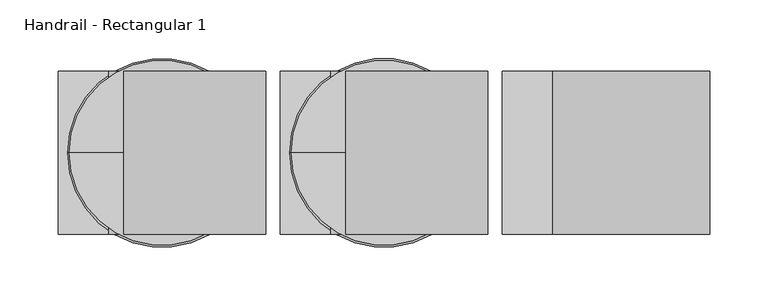
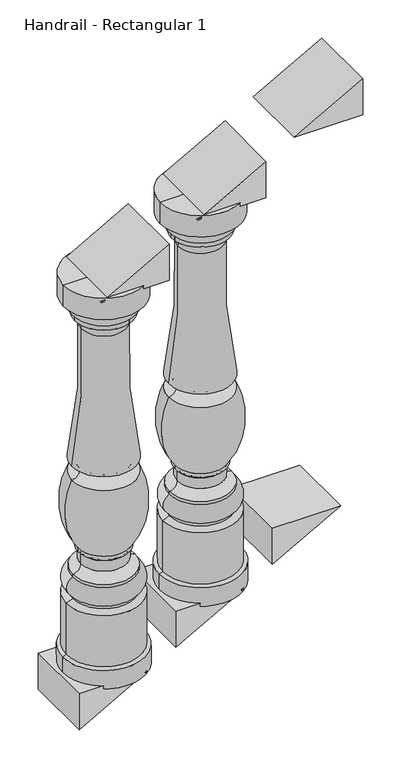
"""IFC4 building model written with IfcOpenShell, lengths in millimetres: railing geometry, Handrail - Rectangular 1."""

from ifc_helpers import new_model, si_unit, point, frame, origin, place, context, project, spatial, polyline, circle_curve, ellipse_curve, trimmed, outline, extrude, source, transform, mapped, element, save
from ifc_brep_helpers import plane_surface, cylinder_surface, revolved_surface, advanced_brep


def handrail_rectangular_1_12c2e21d(model_context):
    return source(origin(), model_context, "Body", "SolidModel", [
        extrude(outline(polyline([(666.75, 4334.3727138), (666.75, 4199.7527138), (591.9611111, 4199.7527138), (666.75, 4334.3727138)])), frame((0.0, 3951.2419589, 0.0), z_axis=(0.0, 1.0, 0.0), x_axis=(0.0, 0.0, 1.0)), (0.0, 0.0, 1.0), 139.7),
        extrude(outline(polyline([(1466.2949839, 4242.9327138), (1466.2949839, 4377.5527138), (1541.0838728, 4377.5527138), (1466.2949839, 4242.9327138)])), frame((0.0, 3951.2419589, 0.0), z_axis=(0.0, 1.0, 0.0), x_axis=(0.0, 0.0, 1.0)), (0.0, 0.0, 1.0), 139.7),
        advanced_brep(
        [(4098.1527138, 4021.0919589, 1367.0891586), (4018.7777138, 4021.0919589, 1367.0891586), (4177.5277138, 4021.0919589, 1367.0891586), (4179.1152138, 4021.0919589, 554.2891586), (4017.1902138, 4021.0919589, 554.2891586), (4098.1527138, 4021.0919589, 554.2891586), (4179.1152138, 4021.0919589, 592.5677128), (4017.1902138, 4021.0919589, 592.5677128), (4171.9714638, 4021.0919589, 595.5641586), (4024.3339638, 4021.0919589, 595.5641586), (4171.9714638, 4021.0919589, 702.022687), (4024.3339638, 4021.0919589, 702.022687), (4159.2714638, 4021.0919589, 707.4829086), (4037.0339638, 4021.0919589, 707.4829086), (4159.2714638, 4021.0919589, 713.8329086), (4037.0339638, 4021.0919589, 713.8329086), (4159.2714638, 4021.0919589, 751.9329086), (4037.0339638, 4021.0919589, 751.9329086), (4159.2714638, 4021.0919589, 758.2829086), (4037.0339638, 4021.0919589, 758.2829086), (4143.5645677, 4021.0919589, 774.5653176), (4052.7408598, 4021.0919589, 774.5653176), (4143.5645677, 4021.0919589, 796.1797845), (4052.7408598, 4021.0919589, 796.1797845), (4148.1589638, 4021.0919589, 801.1454086), (4048.1464638, 4021.0919589, 801.1454086), (4148.1589638, 4021.0919589, 808.7734345), (4048.1464638, 4021.0919589, 808.7734345), (4160.8589638, 4021.0919589, 955.1329086), (4035.4464638, 4021.0919589, 955.1329086), (4160.8589638, 4021.0919589, 983.7079086), (4035.4464638, 4021.0919589, 983.7079086), (4142.3248619, 4021.0919589, 1263.4605192), (4053.9805656, 4021.0919589, 1263.4605192), (4155.3027138, 4021.0919589, 1285.3329086), (4041.0027138, 4021.0919589, 1285.3329086), (4155.3027138, 4021.0919589, 1294.0641586), (4041.0027138, 4021.0919589, 1294.0641586), (4166.4152138, 4021.0919589, 1319.4641586), (4029.8902138, 4021.0919589, 1319.4641586), (4177.5277138, 4021.0919589, 1322.6391586), (4018.7777138, 4021.0919589, 1322.6391586)],
        [
            (0, 1),
            (1, 2, circle_curve(frame((4098.1527138, 4021.0919589, 1367.0891586), z_axis=(0.0, 0.0, 1.0), x_axis=(-1.0, 0.0, 0.0)), 79.375)),
            (2, 0),
            (2, 1, circle_curve(frame((4098.1527138, 4021.0919589, 1367.0891586), z_axis=(0.0, 0.0, 1.0), x_axis=(-1.0, 0.0, 0.0)), 79.375)),
            (3, 4, circle_curve(frame((4098.1527138, 4021.0919589, 554.2891586), z_axis=(0.0, 0.0, -1.0), x_axis=(-1.0, 0.0, 0.0)), 80.9625)),
            (4, 5),
            (5, 3),
            (4, 3, circle_curve(frame((4098.1527138, 4021.0919589, 554.2891586), z_axis=(0.0, 0.0, -1.0), x_axis=(-1.0, 0.0, 0.0)), 80.9625)),
            (6, 7, circle_curve(frame((4098.1527138, 4021.0919589, 592.5677128), z_axis=(0.0, 0.0, -1.0), x_axis=(-1.0, 0.0, 0.0)), 80.9625)),
            (7, 4),
            (3, 6),
            (7, 6, circle_curve(frame((4098.1527138, 4021.0919589, 592.5677128), z_axis=(0.0, 0.0, -1.0), x_axis=(-1.0, 0.0, 0.0)), 80.9625)),
            (8, 9, circle_curve(frame((4098.1527138, 4021.0919589, 595.5641586), z_axis=(0.0, 0.0, -1.0), x_axis=(-1.0, 0.0, 0.0)), 73.81875)),
            (9, 7),
            (6, 8),
            (9, 8, circle_curve(frame((4098.1527138, 4021.0919589, 595.5641586), z_axis=(0.0, 0.0, -1.0), x_axis=(-1.0, 0.0, 0.0)), 73.81875)),
            (10, 11, circle_curve(frame((4098.1527138, 4021.0919589, 702.022687), z_axis=(0.0, 0.0, -1.0), x_axis=(-1.0, 0.0, 0.0)), 73.81875)),
            (11, 9),
            (8, 10),
            (11, 10, circle_curve(frame((4098.1527138, 4021.0919589, 702.022687), z_axis=(0.0, 0.0, -1.0), x_axis=(-1.0, 0.0, 0.0)), 73.81875)),
            (12, 13, circle_curve(frame((4098.1527138, 4021.0919589, 707.4829086), z_axis=(0.0, 0.0, -1.0), x_axis=(-1.0, 0.0, 0.0)), 61.11875)),
            (13, 11),
            (10, 12),
            (13, 12, circle_curve(frame((4098.1527138, 4021.0919589, 707.4829086), z_axis=(0.0, 0.0, -1.0), x_axis=(-1.0, 0.0, 0.0)), 61.11875)),
            (14, 15, circle_curve(frame((4098.1527138, 4021.0919589, 713.8329086), z_axis=(0.0, 0.0, -1.0), x_axis=(-1.0, 0.0, 0.0)), 61.11875)),
            (15, 13),
            (12, 14),
            (15, 14, circle_curve(frame((4098.1527138, 4021.0919589, 713.8329086), z_axis=(0.0, 0.0, -1.0), x_axis=(-1.0, 0.0, 0.0)), 61.11875)),
            (16, 17, circle_curve(frame((4098.1527138, 4021.0919589, 751.9329086), z_axis=(0.0, 0.0, -1.0), x_axis=(-1.0, 0.0, 0.0)), 61.11875)),
            (17, 15, circle_curve(frame((4045.299274, 4021.0919589, 732.8829086), z_axis=(0.0, -1.0, 0.0), x_axis=(1.0, 0.0, 0.0)), 20.7657856)),
            (14, 16, circle_curve(frame((4151.0061535, 4021.0919589, 732.8829086), z_axis=(0.0, -1.0, 0.0), x_axis=(-1.0, 0.0, 0.0)), 20.7657856)),
            (17, 16, circle_curve(frame((4098.1527138, 4021.0919589, 751.9329086), z_axis=(0.0, 0.0, -1.0), x_axis=(-1.0, 0.0, 0.0)), 61.11875)),
            (18, 19, circle_curve(frame((4098.1527138, 4021.0919589, 758.2829086), z_axis=(0.0, 0.0, -1.0), x_axis=(-1.0, 0.0, 0.0)), 61.11875)),
            (19, 17),
            (16, 18),
            (19, 18, circle_curve(frame((4098.1527138, 4021.0919589, 758.2829086), z_axis=(0.0, 0.0, -1.0), x_axis=(-1.0, 0.0, 0.0)), 61.11875)),
            (20, 21, circle_curve(frame((4098.1527138, 4021.0919589, 774.5653176), z_axis=(0.0, 0.0, -1.0), x_axis=(-1.0, 0.0, 0.0)), 45.4118539)),
            (21, 19, circle_curve(frame((4037.5009363, 4021.0919589, 773.5495086), z_axis=(0.0, 1.0, 0.0), x_axis=(1.0, 0.0, 0.0)), 15.2737402)),
            (18, 20, circle_curve(frame((4158.8044912, 4021.0919589, 773.5495086), z_axis=(0.0, 1.0, 0.0), x_axis=(-1.0, 0.0, 0.0)), 15.2737402)),
            (21, 20, circle_curve(frame((4098.1527138, 4021.0919589, 774.5653176), z_axis=(0.0, 0.0, -1.0), x_axis=(-1.0, 0.0, 0.0)), 45.4118539)),
            (22, 23, circle_curve(frame((4098.1527138, 4021.0919589, 796.1797845), z_axis=(0.0, 0.0, -1.0), x_axis=(-1.0, 0.0, 0.0)), 45.4118539)),
            (23, 21),
            (20, 22),
            (23, 22, circle_curve(frame((4098.1527138, 4021.0919589, 796.1797845), z_axis=(0.0, 0.0, -1.0), x_axis=(-1.0, 0.0, 0.0)), 45.4118539)),
            (24, 25, circle_curve(frame((4098.1527138, 4021.0919589, 801.1454086), z_axis=(0.0, 0.0, -1.0), x_axis=(-1.0, 0.0, 0.0)), 50.00625)),
            (25, 23, circle_curve(frame((4047.8946173, 4021.0919589, 796.3041176), z_axis=(0.0, 1.0, 0.0), x_axis=(1.0, 0.0, 0.0)), 4.8478372)),
            (22, 24, circle_curve(frame((4148.4108102, 4021.0919589, 796.3041176), z_axis=(0.0, 1.0, 0.0), x_axis=(-1.0, 0.0, 0.0)), 4.8478372)),
            (25, 24, circle_curve(frame((4098.1527138, 4021.0919589, 801.1454086), z_axis=(0.0, 0.0, -1.0), x_axis=(-1.0, 0.0, 0.0)), 50.00625)),
            (26, 27, circle_curve(frame((4098.1527138, 4021.0919589, 808.7734345), z_axis=(0.0, 0.0, -1.0), x_axis=(-1.0, 0.0, 0.0)), 50.00625)),
            (27, 25),
            (24, 26),
            (27, 26, circle_curve(frame((4098.1527138, 4021.0919589, 808.7734345), z_axis=(0.0, 0.0, -1.0), x_axis=(-1.0, 0.0, 0.0)), 50.00625)),
            (28, 29, circle_curve(frame((4098.1527138, 4021.0919589, 955.1329086), z_axis=(0.0, 0.0, -1.0), x_axis=(-1.0, 0.0, 0.0)), 62.70625)),
            (29, 27, circle_curve(frame((4165.7834448, 4021.0919589, 892.7118509), z_axis=(0.0, -1.0, 0.0), x_axis=(1.0, 0.0, 0.0)), 144.5133802)),
            (26, 28, circle_curve(frame((4030.5219827, 4021.0919589, 892.7118509), z_axis=(0.0, -1.0, 0.0), x_axis=(-1.0, 0.0, 0.0)), 144.5133802)),
            (29, 28, circle_curve(frame((4098.1527138, 4021.0919589, 955.1329086), z_axis=(0.0, 0.0, -1.0), x_axis=(-1.0, 0.0, 0.0)), 62.70625)),
            (30, 31, circle_curve(frame((4098.1527138, 4021.0919589, 983.7079086), z_axis=(0.0, 0.0, -1.0), x_axis=(-1.0, 0.0, 0.0)), 62.70625)),
            (31, 29, circle_curve(frame((4036.294587, 4021.0919589, 969.4204086), z_axis=(0.0, 1.0, 0.0), x_axis=(1.0, 0.0, 0.0)), 14.3126507)),
            (28, 30, circle_curve(frame((4160.0108405, 4021.0919589, 969.4204086), z_axis=(0.0, 1.0, 0.0), x_axis=(-1.0, 0.0, 0.0)), 14.3126507)),
            (31, 30, circle_curve(frame((4098.1527138, 4021.0919589, 983.7079086), z_axis=(0.0, 0.0, -1.0), x_axis=(-1.0, 0.0, 0.0)), 62.70625)),
            (32, 33, circle_curve(frame((4098.1527138, 4021.0919589, 1263.4605192), z_axis=(0.0, 0.0, -1.0), x_axis=(-1.0, 0.0, 0.0)), 44.1721482)),
            (33, 31, circle_curve(frame((2924.1612152, 4021.0919589, 1197.822772), z_axis=(0.0, 1.0, 0.0), x_axis=(1.0, 0.0, 0.0)), 1131.7243827)),
            (30, 32, circle_curve(frame((5272.1442123, 4021.0919589, 1197.822772), z_axis=(0.0, 1.0, 0.0), x_axis=(-1.0, 0.0, 0.0)), 1131.7243827)),
            (33, 32, circle_curve(frame((4098.1527138, 4021.0919589, 1263.4605192), z_axis=(0.0, 0.0, -1.0), x_axis=(-1.0, 0.0, 0.0)), 44.1721482)),
            (34, 35, circle_curve(frame((4098.1527138, 4021.0919589, 1285.3329086), z_axis=(0.0, 0.0, -1.0), x_axis=(-1.0, 0.0, 0.0)), 57.15)),
            (35, 33, circle_curve(frame((4032.9582609, 4021.0919589, 1265.7734202), z_axis=(0.0, 1.0, 0.0), x_axis=(1.0, 0.0, 0.0)), 21.1491562)),
            (32, 34, circle_curve(frame((4163.3471666, 4021.0919589, 1265.7734202), z_axis=(0.0, 1.0, 0.0), x_axis=(-1.0, 0.0, 0.0)), 21.1491562)),
            (35, 34, circle_curve(frame((4098.1527138, 4021.0919589, 1285.3329086), z_axis=(0.0, 0.0, -1.0), x_axis=(-1.0, 0.0, 0.0)), 57.15)),
            (36, 37, circle_curve(frame((4098.1527138, 4021.0919589, 1294.0641586), z_axis=(0.0, 0.0, -1.0), x_axis=(-1.0, 0.0, 0.0)), 57.15)),
            (37, 35),
            (34, 36),
            (37, 36, circle_curve(frame((4098.1527138, 4021.0919589, 1294.0641586), z_axis=(0.0, 0.0, -1.0), x_axis=(-1.0, 0.0, 0.0)), 57.15)),
            (38, 39, circle_curve(frame((4098.1527138, 4021.0919589, 1319.4641586), z_axis=(0.0, 0.0, -1.0), x_axis=(-1.0, 0.0, 0.0)), 68.2625)),
            (39, 37, circle_curve(frame((4059.2278186, 4021.0919589, 1317.1685013), z_axis=(0.0, -1.0, 0.0), x_axis=(1.0, 0.0, 0.0)), 29.4272849)),
            (36, 38, circle_curve(frame((4137.0776089, 4021.0919589, 1317.1685013), z_axis=(0.0, -1.0, 0.0), x_axis=(-1.0, 0.0, 0.0)), 29.4272849)),
            (39, 38, circle_curve(frame((4098.1527138, 4021.0919589, 1319.4641586), z_axis=(0.0, 0.0, -1.0), x_axis=(-1.0, 0.0, 0.0)), 68.2625)),
            (40, 41, circle_curve(frame((4098.1527138, 4021.0919589, 1322.6391586), z_axis=(0.0, 0.0, -1.0), x_axis=(-1.0, 0.0, 0.0)), 79.375)),
            (41, 39),
            (38, 40),
            (41, 40, circle_curve(frame((4098.1527138, 4021.0919589, 1322.6391586), z_axis=(0.0, 0.0, -1.0), x_axis=(-1.0, 0.0, 0.0)), 79.375)),
            (1, 41),
            (40, 2),
        ],
        [
            plane_surface(frame((4098.1527138, 4021.0919589, 1367.0891586), z_axis=(0.0, 0.0, 1.0), x_axis=(-1.0, 0.0, 0.0))),
            plane_surface(frame((4098.1527138, 4021.0919589, 554.2891586), z_axis=(0.0, 0.0, -1.0), x_axis=(-1.0, 0.0, 0.0))),
            cylinder_surface(frame((4098.1527138, 4021.0919589, 1436.9391586), z_axis=(0.0, 0.0, 1.0), x_axis=(-1.0, 0.0, 0.0)), 80.9625),
            revolved_surface(polyline([(4017.1902138, 4021.0919589, 592.5677128), (4024.3339638, 4021.0919589, 595.5641586)]), (4098.1527138, 4021.0919589, 1436.9391586), (0.0, 0.0, 1.0)),
            cylinder_surface(frame((4098.1527138, 4021.0919589, 1436.9391586), z_axis=(0.0, 0.0, 1.0), x_axis=(-1.0, 0.0, 0.0)), 73.81875),
            revolved_surface(polyline([(4024.3339638, 4021.0919589, 702.022687), (4037.0339638, 4021.0919589, 707.4829086)]), (4098.1527138, 4021.0919589, 1436.9391586), (0.0, 0.0, 1.0)),
            cylinder_surface(frame((4098.1527138, 4021.0919589, 1436.9391586), z_axis=(0.0, 0.0, 1.0), x_axis=(-1.0, 0.0, 0.0)), 61.11875),
            revolved_surface(trimmed(ellipse_curve(frame((4045.299274, 4021.0919589, 732.8829086), z_axis=(0.0, 1.0, 0.0), x_axis=(1.0, 0.0, 0.0)), 20.7657856, 20.7657856), [point((4037.0339638, 4021.0919589, 713.8329086))], [point((4037.0339638, 4021.0919589, 751.9329086))], True, "CARTESIAN"), (4098.1527138, 4021.0919589, 1436.9391586), (0.0, 0.0, 1.0)),
            revolved_surface(trimmed(ellipse_curve(frame((4037.5009363, 4021.0919589, 773.5495086), z_axis=(0.0, -1.0, 0.0), x_axis=(1.0, 0.0, 0.0)), 15.2737402, 15.2737402), [point((4037.0339638, 4021.0919589, 758.2829086))], [point((4052.7408598, 4021.0919589, 774.5653176))], True, "CARTESIAN"), (4098.1527138, 4021.0919589, 1436.9391586), (0.0, 0.0, 1.0)),
            cylinder_surface(frame((4098.1527138, 4021.0919589, 1436.9391586), z_axis=(0.0, 0.0, 1.0), x_axis=(-1.0, 0.0, 0.0)), 45.4118539),
            revolved_surface(trimmed(ellipse_curve(frame((4047.8946173, 4021.0919589, 796.3041176), z_axis=(0.0, -1.0, 0.0), x_axis=(1.0, 0.0, 0.0)), 4.8478372, 4.8478372), [point((4052.7408598, 4021.0919589, 796.1797845))], [point((4048.1464638, 4021.0919589, 801.1454086))], True, "CARTESIAN"), (4098.1527138, 4021.0919589, 1436.9391586), (0.0, 0.0, 1.0)),
            cylinder_surface(frame((4098.1527138, 4021.0919589, 1436.9391586), z_axis=(0.0, 0.0, 1.0), x_axis=(-1.0, 0.0, 0.0)), 50.00625),
            revolved_surface(trimmed(ellipse_curve(frame((4165.7834448, 4021.0919589, 892.7118509), z_axis=(0.0, 1.0, 0.0), x_axis=(1.0, 0.0, 0.0)), 144.5133802, 144.5133802), [point((4048.1464638, 4021.0919589, 808.7734345))], [point((4035.4464638, 4021.0919589, 955.1329086))], True, "CARTESIAN"), (4098.1527138, 4021.0919589, 1436.9391586), (0.0, 0.0, 1.0)),
            revolved_surface(trimmed(ellipse_curve(frame((4036.294587, 4021.0919589, 969.4204086), z_axis=(0.0, -1.0, 0.0), x_axis=(1.0, 0.0, 0.0)), 14.3126507, 14.3126507), [point((4035.4464638, 4021.0919589, 955.1329086))], [point((4035.4464638, 4021.0919589, 983.7079086))], True, "CARTESIAN"), (4098.1527138, 4021.0919589, 1436.9391586), (0.0, 0.0, 1.0)),
            revolved_surface(trimmed(ellipse_curve(frame((2924.1612152, 4021.0919589, 1197.822772), z_axis=(0.0, -1.0, 0.0), x_axis=(1.0, 0.0, 0.0)), 1131.7243827, 1131.7243827), [point((4035.4464638, 4021.0919589, 983.7079086))], [point((4053.9805656, 4021.0919589, 1263.4605192))], True, "CARTESIAN"), (4098.1527138, 4021.0919589, 1436.9391586), (0.0, 0.0, 1.0)),
            revolved_surface(trimmed(ellipse_curve(frame((4032.9582609, 4021.0919589, 1265.7734202), z_axis=(0.0, -1.0, 0.0), x_axis=(1.0, 0.0, 0.0)), 21.1491562, 21.1491562), [point((4053.9805656, 4021.0919589, 1263.4605192))], [point((4041.0027138, 4021.0919589, 1285.3329086))], True, "CARTESIAN"), (4098.1527138, 4021.0919589, 1436.9391586), (0.0, 0.0, 1.0)),
            cylinder_surface(frame((4098.1527138, 4021.0919589, 1436.9391586), z_axis=(0.0, 0.0, 1.0), x_axis=(-1.0, 0.0, 0.0)), 57.15),
            revolved_surface(trimmed(ellipse_curve(frame((4059.2278186, 4021.0919589, 1317.1685013), z_axis=(0.0, 1.0, 0.0), x_axis=(1.0, 0.0, 0.0)), 29.4272849, 29.4272849), [point((4041.0027138, 4021.0919589, 1294.0641586))], [point((4029.8902138, 4021.0919589, 1319.4641586))], True, "CARTESIAN"), (4098.1527138, 4021.0919589, 1436.9391586), (0.0, 0.0, 1.0)),
            revolved_surface(polyline([(4029.8902138, 4021.0919589, 1319.4641586), (4018.7777138, 4021.0919589, 1322.6391586)]), (4098.1527138, 4021.0919589, 1436.9391586), (0.0, 0.0, 1.0)),
            cylinder_surface(frame((4098.1527138, 4021.0919589, 1436.9391586), z_axis=(0.0, 0.0, 1.0), x_axis=(-1.0, 0.0, 0.0)), 79.375),
        ],
        [
            (0, [[1, 2, 3]]),
            (0, [[-3, 4, -1]]),
            (1, [[5, 6, 7]]),
            (1, [[8, -7, -6]]),
            (2, [[9, 10, -5, 11]]),
            (2, [[12, -11, -8, -10]]),
            (3, [[13, 14, -9, 15]]),
            (3, [[16, -15, -12, -14]]),
            (4, [[17, 18, -13, 19]]),
            (4, [[20, -19, -16, -18]]),
            (5, [[21, 22, -17, 23]]),
            (5, [[24, -23, -20, -22]]),
            (6, [[25, 26, -21, 27]]),
            (6, [[28, -27, -24, -26]]),
            (7, [[29, 30, -25, 31]]),
            (7, [[32, -31, -28, -30]]),
            (6, [[33, 34, -29, 35]]),
            (6, [[36, -35, -32, -34]]),
            (8, [[37, 38, -33, 39]]),
            (8, [[40, -39, -36, -38]]),
            (9, [[41, 42, -37, 43]]),
            (9, [[44, -43, -40, -42]]),
            (10, [[45, 46, -41, 47]]),
            (10, [[48, -47, -44, -46]]),
            (11, [[49, 50, -45, 51]]),
            (11, [[52, -51, -48, -50]]),
            (12, [[53, 54, -49, 55]]),
            (12, [[56, -55, -52, -54]]),
            (13, [[57, 58, -53, 59]]),
            (13, [[60, -59, -56, -58]]),
            (14, [[61, 62, -57, 63]]),
            (14, [[64, -63, -60, -62]]),
            (15, [[65, 66, -61, 67]]),
            (15, [[68, -67, -64, -66]]),
            (16, [[69, 70, -65, 71]]),
            (16, [[72, -71, -68, -70]]),
            (17, [[73, 74, -69, 75]]),
            (17, [[76, -75, -72, -74]]),
            (18, [[77, 78, -73, 79]]),
            (18, [[80, -79, -76, -78]]),
            (19, [[-2, 81, -77, 82]]),
            (19, [[-4, -82, -80, -81]]),
        ],
    ),
        extrude(outline(polyline([(560.9166667, 4143.8727138), (560.9166667, 4009.2527138), (486.1277778, 4009.2527138), (560.9166667, 4143.8727138)])), frame((0.0, 3951.2419589, 0.0), z_axis=(0.0, 1.0, 0.0), x_axis=(0.0, 0.0, 1.0)), (0.0, 0.0, 1.0), 139.7),
        extrude(outline(polyline([(1360.4616505, 4052.4327138), (1360.4616505, 4187.0527138), (1435.2505394, 4187.0527138), (1360.4616505, 4052.4327138)])), frame((0.0, 3951.2419589, 0.0), z_axis=(0.0, 1.0, 0.0), x_axis=(0.0, 0.0, 1.0)), (0.0, 0.0, 1.0), 139.7),
        advanced_brep(
        [(3907.6527138, 4021.0919589, 1261.2558253), (3828.2777138, 4021.0919589, 1261.2558253), (3987.0277138, 4021.0919589, 1261.2558253), (3988.6152138, 4021.0919589, 448.4558253), (3826.6902138, 4021.0919589, 448.4558253), (3907.6527138, 4021.0919589, 448.4558253), (3988.6152138, 4021.0919589, 486.7343794), (3826.6902138, 4021.0919589, 486.7343794), (3981.4714638, 4021.0919589, 489.7308253), (3833.8339638, 4021.0919589, 489.7308253), (3981.4714638, 4021.0919589, 596.1893537), (3833.8339638, 4021.0919589, 596.1893537), (3968.7714638, 4021.0919589, 601.6495753), (3846.5339638, 4021.0919589, 601.6495753), (3968.7714638, 4021.0919589, 607.9995753), (3846.5339638, 4021.0919589, 607.9995753), (3968.7714638, 4021.0919589, 646.0995753), (3846.5339638, 4021.0919589, 646.0995753), (3968.7714638, 4021.0919589, 652.4495753), (3846.5339638, 4021.0919589, 652.4495753), (3953.0645677, 4021.0919589, 668.7319843), (3862.2408598, 4021.0919589, 668.7319843), (3953.0645677, 4021.0919589, 690.3464512), (3862.2408598, 4021.0919589, 690.3464512), (3957.6589638, 4021.0919589, 695.3120753), (3857.6464638, 4021.0919589, 695.3120753), (3957.6589638, 4021.0919589, 702.9401011), (3857.6464638, 4021.0919589, 702.9401011), (3970.3589638, 4021.0919589, 849.2995753), (3844.9464638, 4021.0919589, 849.2995753), (3970.3589638, 4021.0919589, 877.8745753), (3844.9464638, 4021.0919589, 877.8745753), (3951.8248619, 4021.0919589, 1157.6271858), (3863.4805656, 4021.0919589, 1157.6271858), (3964.8027138, 4021.0919589, 1179.4995753), (3850.5027138, 4021.0919589, 1179.4995753), (3964.8027138, 4021.0919589, 1188.2308253), (3850.5027138, 4021.0919589, 1188.2308253), (3975.9152138, 4021.0919589, 1213.6308253), (3839.3902138, 4021.0919589, 1213.6308253), (3987.0277138, 4021.0919589, 1216.8058253), (3828.2777138, 4021.0919589, 1216.8058253)],
        [
            (0, 1),
            (1, 2, circle_curve(frame((3907.6527138, 4021.0919589, 1261.2558253), z_axis=(0.0, 0.0, 1.0), x_axis=(-1.0, 0.0, 0.0)), 79.375)),
            (2, 0),
            (2, 1, circle_curve(frame((3907.6527138, 4021.0919589, 1261.2558253), z_axis=(0.0, 0.0, 1.0), x_axis=(-1.0, 0.0, 0.0)), 79.375)),
            (3, 4, circle_curve(frame((3907.6527138, 4021.0919589, 448.4558253), z_axis=(0.0, 0.0, -1.0), x_axis=(-1.0, 0.0, 0.0)), 80.9625)),
            (4, 5),
            (5, 3),
            (4, 3, circle_curve(frame((3907.6527138, 4021.0919589, 448.4558253), z_axis=(0.0, 0.0, -1.0), x_axis=(-1.0, 0.0, 0.0)), 80.9625)),
            (6, 7, circle_curve(frame((3907.6527138, 4021.0919589, 486.7343794), z_axis=(0.0, 0.0, -1.0), x_axis=(-1.0, 0.0, 0.0)), 80.9625)),
            (7, 4),
            (3, 6),
            (7, 6, circle_curve(frame((3907.6527138, 4021.0919589, 486.7343794), z_axis=(0.0, 0.0, -1.0), x_axis=(-1.0, 0.0, 0.0)), 80.9625)),
            (8, 9, circle_curve(frame((3907.6527138, 4021.0919589, 489.7308253), z_axis=(0.0, 0.0, -1.0), x_axis=(-1.0, 0.0, 0.0)), 73.81875)),
            (9, 7),
            (6, 8),
            (9, 8, circle_curve(frame((3907.6527138, 4021.0919589, 489.7308253), z_axis=(0.0, 0.0, -1.0), x_axis=(-1.0, 0.0, 0.0)), 73.81875)),
            (10, 11, circle_curve(frame((3907.6527138, 4021.0919589, 596.1893537), z_axis=(0.0, 0.0, -1.0), x_axis=(-1.0, 0.0, 0.0)), 73.81875)),
            (11, 9),
            (8, 10),
            (11, 10, circle_curve(frame((3907.6527138, 4021.0919589, 596.1893537), z_axis=(0.0, 0.0, -1.0), x_axis=(-1.0, 0.0, 0.0)), 73.81875)),
            (12, 13, circle_curve(frame((3907.6527138, 4021.0919589, 601.6495753), z_axis=(0.0, 0.0, -1.0), x_axis=(-1.0, 0.0, 0.0)), 61.11875)),
            (13, 11),
            (10, 12),
            (13, 12, circle_curve(frame((3907.6527138, 4021.0919589, 601.6495753), z_axis=(0.0, 0.0, -1.0), x_axis=(-1.0, 0.0, 0.0)), 61.11875)),
            (14, 15, circle_curve(frame((3907.6527138, 4021.0919589, 607.9995753), z_axis=(0.0, 0.0, -1.0), x_axis=(-1.0, 0.0, 0.0)), 61.11875)),
            (15, 13),
            (12, 14),
            (15, 14, circle_curve(frame((3907.6527138, 4021.0919589, 607.9995753), z_axis=(0.0, 0.0, -1.0), x_axis=(-1.0, 0.0, 0.0)), 61.11875)),
            (16, 17, circle_curve(frame((3907.6527138, 4021.0919589, 646.0995753), z_axis=(0.0, 0.0, -1.0), x_axis=(-1.0, 0.0, 0.0)), 61.11875)),
            (17, 15, circle_curve(frame((3854.799274, 4021.0919589, 627.0495753), z_axis=(0.0, -1.0, 0.0), x_axis=(1.0, 0.0, 0.0)), 20.7657856)),
            (14, 16, circle_curve(frame((3960.5061535, 4021.0919589, 627.0495753), z_axis=(0.0, -1.0, 0.0), x_axis=(-1.0, 0.0, 0.0)), 20.7657856)),
            (17, 16, circle_curve(frame((3907.6527138, 4021.0919589, 646.0995753), z_axis=(0.0, 0.0, -1.0), x_axis=(-1.0, 0.0, 0.0)), 61.11875)),
            (18, 19, circle_curve(frame((3907.6527138, 4021.0919589, 652.4495753), z_axis=(0.0, 0.0, -1.0), x_axis=(-1.0, 0.0, 0.0)), 61.11875)),
            (19, 17),
            (16, 18),
            (19, 18, circle_curve(frame((3907.6527138, 4021.0919589, 652.4495753), z_axis=(0.0, 0.0, -1.0), x_axis=(-1.0, 0.0, 0.0)), 61.11875)),
            (20, 21, circle_curve(frame((3907.6527138, 4021.0919589, 668.7319843), z_axis=(0.0, 0.0, -1.0), x_axis=(-1.0, 0.0, 0.0)), 45.4118539)),
            (21, 19, circle_curve(frame((3847.0009363, 4021.0919589, 667.7161752), z_axis=(0.0, 1.0, 0.0), x_axis=(1.0, 0.0, 0.0)), 15.2737402)),
            (18, 20, circle_curve(frame((3968.3044912, 4021.0919589, 667.7161752), z_axis=(0.0, 1.0, 0.0), x_axis=(-1.0, 0.0, 0.0)), 15.2737402)),
            (21, 20, circle_curve(frame((3907.6527138, 4021.0919589, 668.7319843), z_axis=(0.0, 0.0, -1.0), x_axis=(-1.0, 0.0, 0.0)), 45.4118539)),
            (22, 23, circle_curve(frame((3907.6527138, 4021.0919589, 690.3464512), z_axis=(0.0, 0.0, -1.0), x_axis=(-1.0, 0.0, 0.0)), 45.4118539)),
            (23, 21),
            (20, 22),
            (23, 22, circle_curve(frame((3907.6527138, 4021.0919589, 690.3464512), z_axis=(0.0, 0.0, -1.0), x_axis=(-1.0, 0.0, 0.0)), 45.4118539)),
            (24, 25, circle_curve(frame((3907.6527138, 4021.0919589, 695.3120753), z_axis=(0.0, 0.0, -1.0), x_axis=(-1.0, 0.0, 0.0)), 50.00625)),
            (25, 23, circle_curve(frame((3857.3946173, 4021.0919589, 690.4707842), z_axis=(0.0, 1.0, 0.0), x_axis=(1.0, 0.0, 0.0)), 4.8478372)),
            (22, 24, circle_curve(frame((3957.9108102, 4021.0919589, 690.4707842), z_axis=(0.0, 1.0, 0.0), x_axis=(-1.0, 0.0, 0.0)), 4.8478372)),
            (25, 24, circle_curve(frame((3907.6527138, 4021.0919589, 695.3120753), z_axis=(0.0, 0.0, -1.0), x_axis=(-1.0, 0.0, 0.0)), 50.00625)),
            (26, 27, circle_curve(frame((3907.6527138, 4021.0919589, 702.9401011), z_axis=(0.0, 0.0, -1.0), x_axis=(-1.0, 0.0, 0.0)), 50.00625)),
            (27, 25),
            (24, 26),
            (27, 26, circle_curve(frame((3907.6527138, 4021.0919589, 702.9401011), z_axis=(0.0, 0.0, -1.0), x_axis=(-1.0, 0.0, 0.0)), 50.00625)),
            (28, 29, circle_curve(frame((3907.6527138, 4021.0919589, 849.2995753), z_axis=(0.0, 0.0, -1.0), x_axis=(-1.0, 0.0, 0.0)), 62.70625)),
            (29, 27, circle_curve(frame((3975.2834448, 4021.0919589, 786.8785176), z_axis=(0.0, -1.0, 0.0), x_axis=(1.0, 0.0, 0.0)), 144.5133802)),
            (26, 28, circle_curve(frame((3840.0219827, 4021.0919589, 786.8785176), z_axis=(0.0, -1.0, 0.0), x_axis=(-1.0, 0.0, 0.0)), 144.5133802)),
            (29, 28, circle_curve(frame((3907.6527138, 4021.0919589, 849.2995753), z_axis=(0.0, 0.0, -1.0), x_axis=(-1.0, 0.0, 0.0)), 62.70625)),
            (30, 31, circle_curve(frame((3907.6527138, 4021.0919589, 877.8745753), z_axis=(0.0, 0.0, -1.0), x_axis=(-1.0, 0.0, 0.0)), 62.70625)),
            (31, 29, circle_curve(frame((3845.794587, 4021.0919589, 863.5870753), z_axis=(0.0, 1.0, 0.0), x_axis=(1.0, 0.0, 0.0)), 14.3126507)),
            (28, 30, circle_curve(frame((3969.5108405, 4021.0919589, 863.5870753), z_axis=(0.0, 1.0, 0.0), x_axis=(-1.0, 0.0, 0.0)), 14.3126507)),
            (31, 30, circle_curve(frame((3907.6527138, 4021.0919589, 877.8745753), z_axis=(0.0, 0.0, -1.0), x_axis=(-1.0, 0.0, 0.0)), 62.70625)),
            (32, 33, circle_curve(frame((3907.6527138, 4021.0919589, 1157.6271858), z_axis=(0.0, 0.0, -1.0), x_axis=(-1.0, 0.0, 0.0)), 44.1721482)),
            (33, 31, circle_curve(frame((2733.6612152, 4021.0919589, 1091.9894387), z_axis=(0.0, 1.0, 0.0), x_axis=(1.0, 0.0, 0.0)), 1131.7243827)),
            (30, 32, circle_curve(frame((5081.6442123, 4021.0919589, 1091.9894387), z_axis=(0.0, 1.0, 0.0), x_axis=(-1.0, 0.0, 0.0)), 1131.7243827)),
            (33, 32, circle_curve(frame((3907.6527138, 4021.0919589, 1157.6271858), z_axis=(0.0, 0.0, -1.0), x_axis=(-1.0, 0.0, 0.0)), 44.1721482)),
            (34, 35, circle_curve(frame((3907.6527138, 4021.0919589, 1179.4995753), z_axis=(0.0, 0.0, -1.0), x_axis=(-1.0, 0.0, 0.0)), 57.15)),
            (35, 33, circle_curve(frame((3842.4582609, 4021.0919589, 1159.9400869), z_axis=(0.0, 1.0, 0.0), x_axis=(1.0, 0.0, 0.0)), 21.1491562)),
            (32, 34, circle_curve(frame((3972.8471666, 4021.0919589, 1159.9400869), z_axis=(0.0, 1.0, 0.0), x_axis=(-1.0, 0.0, 0.0)), 21.1491562)),
            (35, 34, circle_curve(frame((3907.6527138, 4021.0919589, 1179.4995753), z_axis=(0.0, 0.0, -1.0), x_axis=(-1.0, 0.0, 0.0)), 57.15)),
            (36, 37, circle_curve(frame((3907.6527138, 4021.0919589, 1188.2308253), z_axis=(0.0, 0.0, -1.0), x_axis=(-1.0, 0.0, 0.0)), 57.15)),
            (37, 35),
            (34, 36),
            (37, 36, circle_curve(frame((3907.6527138, 4021.0919589, 1188.2308253), z_axis=(0.0, 0.0, -1.0), x_axis=(-1.0, 0.0, 0.0)), 57.15)),
            (38, 39, circle_curve(frame((3907.6527138, 4021.0919589, 1213.6308253), z_axis=(0.0, 0.0, -1.0), x_axis=(-1.0, 0.0, 0.0)), 68.2625)),
            (39, 37, circle_curve(frame((3868.7278186, 4021.0919589, 1211.335168), z_axis=(0.0, -1.0, 0.0), x_axis=(1.0, 0.0, 0.0)), 29.4272849)),
            (36, 38, circle_curve(frame((3946.5776089, 4021.0919589, 1211.335168), z_axis=(0.0, -1.0, 0.0), x_axis=(-1.0, 0.0, 0.0)), 29.4272849)),
            (39, 38, circle_curve(frame((3907.6527138, 4021.0919589, 1213.6308253), z_axis=(0.0, 0.0, -1.0), x_axis=(-1.0, 0.0, 0.0)), 68.2625)),
            (40, 41, circle_curve(frame((3907.6527138, 4021.0919589, 1216.8058253), z_axis=(0.0, 0.0, -1.0), x_axis=(-1.0, 0.0, 0.0)), 79.375)),
            (41, 39),
            (38, 40),
            (41, 40, circle_curve(frame((3907.6527138, 4021.0919589, 1216.8058253), z_axis=(0.0, 0.0, -1.0), x_axis=(-1.0, 0.0, 0.0)), 79.375)),
            (1, 41),
            (40, 2),
        ],
        [
            plane_surface(frame((3907.6527138, 4021.0919589, 1261.2558253), z_axis=(0.0, 0.0, 1.0), x_axis=(-1.0, 0.0, 0.0))),
            plane_surface(frame((3907.6527138, 4021.0919589, 448.4558253), z_axis=(0.0, 0.0, -1.0), x_axis=(-1.0, 0.0, 0.0))),
            cylinder_surface(frame((3907.6527138, 4021.0919589, 1331.1058253), z_axis=(0.0, 0.0, 1.0), x_axis=(-1.0, 0.0, 0.0)), 80.9625),
            revolved_surface(polyline([(3826.6902138, 4021.0919589, 486.7343794), (3833.8339638, 4021.0919589, 489.7308253)]), (3907.6527138, 4021.0919589, 1331.1058253), (0.0, 0.0, 1.0)),
            cylinder_surface(frame((3907.6527138, 4021.0919589, 1331.1058253), z_axis=(0.0, 0.0, 1.0), x_axis=(-1.0, 0.0, 0.0)), 73.81875),
            revolved_surface(polyline([(3833.8339638, 4021.0919589, 596.1893537), (3846.5339638, 4021.0919589, 601.6495753)]), (3907.6527138, 4021.0919589, 1331.1058253), (0.0, 0.0, 1.0)),
            cylinder_surface(frame((3907.6527138, 4021.0919589, 1331.1058253), z_axis=(0.0, 0.0, 1.0), x_axis=(-1.0, 0.0, 0.0)), 61.11875),
            revolved_surface(trimmed(ellipse_curve(frame((3854.799274, 4021.0919589, 627.0495753), z_axis=(0.0, 1.0, 0.0), x_axis=(1.0, 0.0, 0.0)), 20.7657856, 20.7657856), [point((3846.5339638, 4021.0919589, 607.9995753))], [point((3846.5339638, 4021.0919589, 646.0995753))], True, "CARTESIAN"), (3907.6527138, 4021.0919589, 1331.1058253), (0.0, 0.0, 1.0)),
            revolved_surface(trimmed(ellipse_curve(frame((3847.0009363, 4021.0919589, 667.7161752), z_axis=(0.0, -1.0, 0.0), x_axis=(1.0, 0.0, 0.0)), 15.2737402, 15.2737402), [point((3846.5339638, 4021.0919589, 652.4495753))], [point((3862.2408598, 4021.0919589, 668.7319843))], True, "CARTESIAN"), (3907.6527138, 4021.0919589, 1331.1058253), (0.0, 0.0, 1.0)),
            cylinder_surface(frame((3907.6527138, 4021.0919589, 1331.1058253), z_axis=(0.0, 0.0, 1.0), x_axis=(-1.0, 0.0, 0.0)), 45.4118539),
            revolved_surface(trimmed(ellipse_curve(frame((3857.3946173, 4021.0919589, 690.4707842), z_axis=(0.0, -1.0, 0.0), x_axis=(1.0, 0.0, 0.0)), 4.8478372, 4.8478372), [point((3862.2408598, 4021.0919589, 690.3464512))], [point((3857.6464638, 4021.0919589, 695.3120753))], True, "CARTESIAN"), (3907.6527138, 4021.0919589, 1331.1058253), (0.0, 0.0, 1.0)),
            cylinder_surface(frame((3907.6527138, 4021.0919589, 1331.1058253), z_axis=(0.0, 0.0, 1.0), x_axis=(-1.0, 0.0, 0.0)), 50.00625),
            revolved_surface(trimmed(ellipse_curve(frame((3975.2834448, 4021.0919589, 786.8785176), z_axis=(0.0, 1.0, 0.0), x_axis=(1.0, 0.0, 0.0)), 144.5133802, 144.5133802), [point((3857.6464638, 4021.0919589, 702.9401011))], [point((3844.9464638, 4021.0919589, 849.2995753))], True, "CARTESIAN"), (3907.6527138, 4021.0919589, 1331.1058253), (0.0, 0.0, 1.0)),
            revolved_surface(trimmed(ellipse_curve(frame((3845.794587, 4021.0919589, 863.5870753), z_axis=(0.0, -1.0, 0.0), x_axis=(1.0, 0.0, 0.0)), 14.3126507, 14.3126507), [point((3844.9464638, 4021.0919589, 849.2995753))], [point((3844.9464638, 4021.0919589, 877.8745753))], True, "CARTESIAN"), (3907.6527138, 4021.0919589, 1331.1058253), (0.0, 0.0, 1.0)),
            revolved_surface(trimmed(ellipse_curve(frame((2733.6612152, 4021.0919589, 1091.9894387), z_axis=(0.0, -1.0, 0.0), x_axis=(1.0, 0.0, 0.0)), 1131.7243827, 1131.7243827), [point((3844.9464638, 4021.0919589, 877.8745753))], [point((3863.4805656, 4021.0919589, 1157.6271858))], True, "CARTESIAN"), (3907.6527138, 4021.0919589, 1331.1058253), (0.0, 0.0, 1.0)),
            revolved_surface(trimmed(ellipse_curve(frame((3842.4582609, 4021.0919589, 1159.9400869), z_axis=(0.0, -1.0, 0.0), x_axis=(1.0, 0.0, 0.0)), 21.1491562, 21.1491562), [point((3863.4805656, 4021.0919589, 1157.6271858))], [point((3850.5027138, 4021.0919589, 1179.4995753))], True, "CARTESIAN"), (3907.6527138, 4021.0919589, 1331.1058253), (0.0, 0.0, 1.0)),
            cylinder_surface(frame((3907.6527138, 4021.0919589, 1331.1058253), z_axis=(0.0, 0.0, 1.0), x_axis=(-1.0, 0.0, 0.0)), 57.15),
            revolved_surface(trimmed(ellipse_curve(frame((3868.7278186, 4021.0919589, 1211.335168), z_axis=(0.0, 1.0, 0.0), x_axis=(1.0, 0.0, 0.0)), 29.4272849, 29.4272849), [point((3850.5027138, 4021.0919589, 1188.2308253))], [point((3839.3902138, 4021.0919589, 1213.6308253))], True, "CARTESIAN"), (3907.6527138, 4021.0919589, 1331.1058253), (0.0, 0.0, 1.0)),
            revolved_surface(polyline([(3839.3902138, 4021.0919589, 1213.6308253), (3828.2777138, 4021.0919589, 1216.8058253)]), (3907.6527138, 4021.0919589, 1331.1058253), (0.0, 0.0, 1.0)),
            cylinder_surface(frame((3907.6527138, 4021.0919589, 1331.1058253), z_axis=(0.0, 0.0, 1.0), x_axis=(-1.0, 0.0, 0.0)), 79.375),
        ],
        [
            (0, [[1, 2, 3]]),
            (0, [[-3, 4, -1]]),
            (1, [[5, 6, 7]]),
            (1, [[8, -7, -6]]),
            (2, [[9, 10, -5, 11]]),
            (2, [[12, -11, -8, -10]]),
            (3, [[13, 14, -9, 15]]),
            (3, [[16, -15, -12, -14]]),
            (4, [[17, 18, -13, 19]]),
            (4, [[20, -19, -16, -18]]),
            (5, [[21, 22, -17, 23]]),
            (5, [[24, -23, -20, -22]]),
            (6, [[25, 26, -21, 27]]),
            (6, [[28, -27, -24, -26]]),
            (7, [[29, 30, -25, 31]]),
            (7, [[32, -31, -28, -30]]),
            (6, [[33, 34, -29, 35]]),
            (6, [[36, -35, -32, -34]]),
            (8, [[37, 38, -33, 39]]),
            (8, [[40, -39, -36, -38]]),
            (9, [[41, 42, -37, 43]]),
            (9, [[44, -43, -40, -42]]),
            (10, [[45, 46, -41, 47]]),
            (10, [[48, -47, -44, -46]]),
            (11, [[49, 50, -45, 51]]),
            (11, [[52, -51, -48, -50]]),
            (12, [[53, 54, -49, 55]]),
            (12, [[56, -55, -52, -54]]),
            (13, [[57, 58, -53, 59]]),
            (13, [[60, -59, -56, -58]]),
            (14, [[61, 62, -57, 63]]),
            (14, [[64, -63, -60, -62]]),
            (15, [[65, 66, -61, 67]]),
            (15, [[68, -67, -64, -66]]),
            (16, [[69, 70, -65, 71]]),
            (16, [[72, -71, -68, -70]]),
            (17, [[73, 74, -69, 75]]),
            (17, [[76, -75, -72, -74]]),
            (18, [[77, 78, -73, 79]]),
            (18, [[80, -79, -76, -78]]),
            (19, [[-2, 81, -77, 82]]),
            (19, [[-4, -82, -80, -81]]),
        ],
    ),
        extrude(outline(polyline([(455.0833333, 3953.3727138), (455.0833333, 3818.7527138), (380.2944444, 3818.7527138), (455.0833333, 3953.3727138)])), frame((0.0, 3951.2419589, 0.0), z_axis=(0.0, 1.0, 0.0), x_axis=(0.0, 0.0, 1.0)), (0.0, 0.0, 1.0), 139.7),
        extrude(outline(polyline([(1254.6283172, 3861.9327138), (1254.6283172, 3996.5527138), (1329.4172061, 3996.5527138), (1254.6283172, 3861.9327138)])), frame((0.0, 3951.2419589, 0.0), z_axis=(0.0, 1.0, 0.0), x_axis=(0.0, 0.0, 1.0)), (0.0, 0.0, 1.0), 139.7),
    ])


if __name__ == "__main__":
    model = new_model("IFC4")
    model_context = context("Model", 3, world=origin())
    ifc_project = project(units=[si_unit("LENGTHUNIT", "METRE", prefix="MILLI")], contexts=[model_context])
    site = spatial("IfcSite", under=ifc_project)
    building = spatial("IfcBuilding", under=site)
    placement = place(None, origin())
    handrail_rectangular_1_shape = handrail_rectangular_1_12c2e21d(model_context)
    element("IfcRailing", 1, ObjectType="Handrail - Rectangular 1", at=placement, inside=building, context=model_context, shape_type="MappedRepresentation", body=[
        mapped(handrail_rectangular_1_shape, transform((0.0, 0.0, 0.0), x_axis=(1.0, 0.0, 0.0), y_axis=(0.0, 1.0, 0.0), z_axis=(0.0, 0.0, 1.0))),
    ])
    save(model, "model.ifc")
